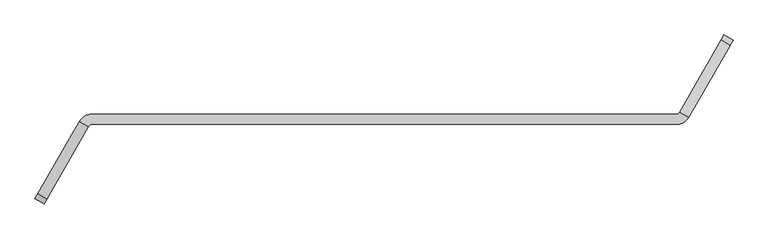
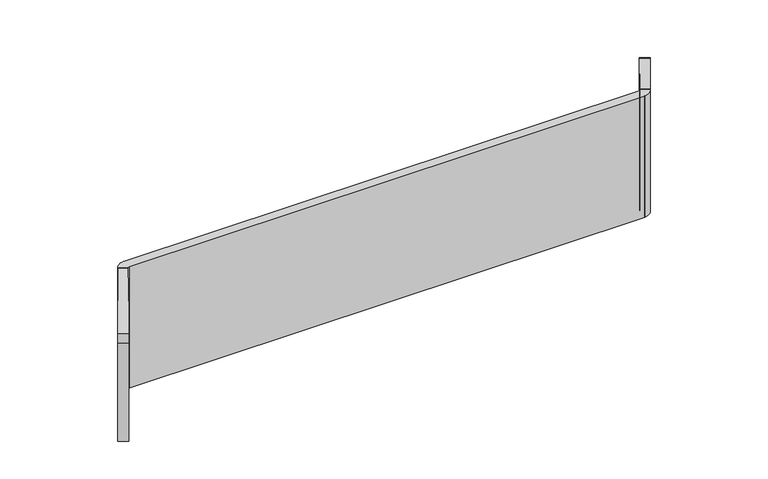
"""IFC4 building model written with IfcOpenShell, lengths in millimetres: furniture geometry."""

from ifc_helpers import new_model, si_unit, point, frame, frame_2d, origin, place, context, project, spatial, polyline, circle_curve, trimmed, segment, composite_curve, outline, extrude, source, transform, mapped, element, save


def furniture_04f2e54d(model_context):
    return source(origin(), model_context, "Body", "SweptSolid", [
        extrude(outline(composite_curve([segment(polyline([(24.6357363, 31.5838899), (96.0023032, -252.7303432), (-404.1650892, -252.7303432), (-404.1650892, 50.8), (0.0, 50.8)]), True, "CONTINUOUS"), segment(trimmed(circle_curve(frame_2d((0.0, 25.4000001)), 25.4), [point((0.0, 50.8))], [point((24.6357363, 31.5838899))], False, "CARTESIAN"), True, "CONTINUOUS")], self_intersect=False)), frame((1736.8946135, 271.1268756, 1156.6400892), z_axis=(-0.867040765573189, 0.4982372033823431, 0.0), x_axis=(0.0, 0.0, 1.0)), (0.0, 0.0, 1.0), 35.9627605),
        extrude(outline(composite_curve([segment(trimmed(circle_curve(frame_2d((0.0, 25.3999999)), 25.4), [point((-24.6357363, 31.5838899))], [point((0.0, 50.8))], False, "CARTESIAN"), True, "CONTINUOUS"), segment(polyline([(0.0, 50.8), (404.1650892, 50.8), (404.1650892, -252.7303433), (-96.0023032, -252.7303433), (-24.6357363, 31.5838899)]), True, "CONTINUOUS")], self_intersect=False)), frame((-564.7263264, -199.7084847, 1156.6400892), z_axis=(-0.8670407655731922, 0.4982372033823375, 0.0), x_axis=(0.0, 0.0, -1.0)), (0.0, 0.0, 1.0), 35.9627605),
        extrude(outline(composite_curve([segment(trimmed(circle_curve(frame_2d((1566.2326319, 76.4062786)), 15.0353716), [point((1570.4073623, 61.9621094))], [point((1579.7952673, 69.9164928))], True, "CARTESIAN"), True, "CONTINUOUS"), segment(polyline([(1579.7952673, 69.9164928), (1610.9359467, 52.0217805)]), True, "CONTINUOUS"), segment(trimmed(circle_curve(frame_2d((1567.4577624, 76.8802718)), 50.0829023), [point((1610.9359467, 52.0217805))], [point((1578.2224902, 27.9679243))], False, "CARTESIAN"), True, "CONTINUOUS"), segment(trimmed(circle_curve(frame_2d((1572.7630604, 52.7742667)), 25.4), [point((1578.2224902, 27.9679243))], [point((1572.7630604, 27.3742667))], False, "CARTESIAN"), True, "CONTINUOUS"), segment(polyline([(1572.7630604, 27.3742667), (-429.4202545, 27.3742667)]), True, "CONTINUOUS"), segment(trimmed(circle_curve(frame_2d((-425.2455241, 12.9300975)), 15.0353716), [point((-429.4202545, 27.3742667))], [point((-438.8081595, 19.4198833))], True, "CARTESIAN"), True, "CONTINUOUS"), segment(polyline([(-438.8081595, 19.4198833), (-469.948839, 37.3145956)]), True, "CONTINUOUS"), segment(trimmed(circle_curve(frame_2d((-426.4706546, 12.4561043)), 50.0829023), [point((-469.948839, 37.3145956))], [point((-437.2353824, 61.3684518))], False, "CARTESIAN"), True, "CONTINUOUS"), segment(trimmed(circle_curve(frame_2d((-431.7759527, 36.5621094)), 25.4), [point((-437.2353824, 61.3684518))], [point((-431.7759527, 61.9621094))], False, "CARTESIAN"), True, "CONTINUOUS"), segment(polyline([(-431.7759527, 61.9621094), (1570.4073623, 61.9621094)]), True, "CONTINUOUS")], self_intersect=False)), frame((0.0, 0.0, 752.475), z_axis=(0.0, 0.0, 1.0), x_axis=(1.0, 0.0, 0.0)), (0.0, 0.0, 1.0), 500.1617188),
    ])


if __name__ == "__main__":
    model = new_model("IFC4")
    model_context = context("Model", 3, world=origin())
    ifc_project = project(units=[si_unit("LENGTHUNIT", "METRE", prefix="MILLI")], contexts=[model_context])
    site = spatial("IfcSite", under=ifc_project)
    building = spatial("IfcBuilding", under=site)
    placement = place(None, origin())
    furniture_shape = furniture_04f2e54d(model_context)
    element("IfcFurniture", 1, at=placement, inside=building, context=model_context, shape_type="MappedRepresentation", body=[
        mapped(furniture_shape, transform((0.0, 0.0, 0.0), x_axis=(1.0, 0.0, 0.0), y_axis=(0.0, 1.0, 0.0), z_axis=(0.0, 0.0, 1.0))),
    ])
    save(model, "model.ifc")
